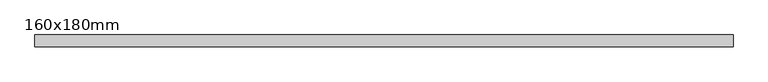
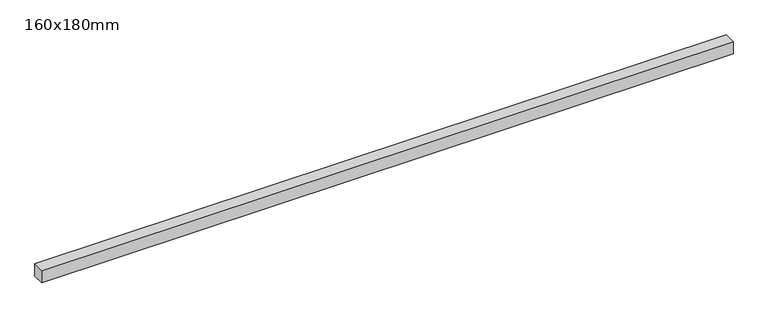
"""IFC4 building model written with IfcOpenShell, lengths in millimetres: beam geometry, 160x180mm."""

import ifcopenshell
import ifcopenshell.guid

model = None  # the IFC model being written
_history = None  # IfcOwnerHistory: only IFC2X3 demands one
_inside = {}  # id of a spatial element -> (the spatial element, [elements in it])
_under = {}  # id of a project, library or spatial element -> (it, [spatial elements below it])
_declared = {}  # id of a project -> (the project, [libraries it declares])
_typed = {}  # id of a type object -> (the type object, [elements of that type])
_made_of = {}  # id of a material, layer set ... -> (it, [elements and type objects made of it])


def new_model(schema):
    """Start an empty IFC model of exactly this schema.

    Asked for "IFC4X3", IfcOpenShell would pick the latest addendum, in which some entities
    have other attributes; the version numbers below select the first issue.
    IFC2X3 requires an IfcOwnerHistory on every rooted entity: one is made here for all.
    """
    global model, _history
    if schema == "IFC4X3":
        model = ifcopenshell.file(schema_version=(4, 3, 0, 0))
    else:
        model = ifcopenshell.file(schema=schema)
    _inside.clear()
    _under.clear()
    _declared.clear()
    _typed.clear()
    _made_of.clear()
    _history = None
    if model.schema == "IFC2X3":
        org = make("IfcOrganization", Name="unknown")
        user = make(
            "IfcPersonAndOrganization",
            ThePerson=make("IfcPerson", FamilyName="unknown"),
            TheOrganization=org,
        )
        app = make(
            "IfcApplication",
            ApplicationDeveloper=org,
            Version="unknown",
            ApplicationFullName="unknown",
            ApplicationIdentifier="unknown",
        )
        _history = make(
            "IfcOwnerHistory",
            OwningUser=user,
            OwningApplication=app,
            ChangeAction="ADDED",
            CreationDate=0,
        )
    return model


def make(cls, **values):
    """One entity of the class cls with the attributes given. An attribute that is None is left unset."""
    return model.create_entity(
        cls, **{name: value for name, value in values.items() if value is not None}
    )


def rooted(cls, **values):
    """An entity with a GlobalId (a new one), such as an element, a storey or a relation."""
    return make(cls, GlobalId=ifcopenshell.guid.new(), OwnerHistory=_history, **values)


def si_unit(unit_type, name, prefix=None):
    """IfcSIUnit, for example si_unit("LENGTHUNIT", "METRE", prefix="MILLI")."""
    return make("IfcSIUnit", UnitType=unit_type, Prefix=prefix, Name=name)


def assignment(units):
    """IfcUnitAssignment: the units of a project."""
    return None if units is None else make("IfcUnitAssignment", Units=units)


def point(xyz):
    """IfcCartesianPoint."""
    return None if xyz is None else make("IfcCartesianPoint", Coordinates=xyz)


def direction(xyz):
    """IfcDirection."""
    return None if xyz is None else make("IfcDirection", DirectionRatios=xyz)


def frame(location, z_axis=None, x_axis=None):
    """IfcAxis2Placement3D, a coordinate frame: its origin and axes. An axis left out is left unset."""
    return make(
        "IfcAxis2Placement3D",
        Location=point(location),
        Axis=direction(z_axis),
        RefDirection=direction(x_axis),
    )


def origin():
    """The frame at (0, 0, 0) with its axes left unset."""
    return frame((0.0, 0.0, 0.0))


def place(relative_to, where):
    """IfcLocalPlacement: puts the frame where relative to a parent placement (None: the world)."""
    return make(
        "IfcLocalPlacement", PlacementRelTo=relative_to, RelativePlacement=where
    )


def context(
    kind, dimensions, precision=None, world=None, true_north=None, identifier=None
):
    """IfcGeometricRepresentationContext, for example the 3D "Model" context."""
    return make(
        "IfcGeometricRepresentationContext",
        ContextIdentifier=identifier,
        ContextType=kind,
        CoordinateSpaceDimension=dimensions,
        Precision=precision,
        WorldCoordinateSystem=world,
        TrueNorth=true_north,
    )


def project(units=None, contexts=None):
    """IfcProject with its units and contexts."""
    return rooted(
        "IfcProject",
        Name="project",
        RepresentationContexts=contexts,
        UnitsInContext=assignment(units),
    )


def spatial(cls, under=None, at=None, **own):
    """A site, building, storey or space (cls), placed at a placement, below another one or the project."""
    s = rooted(cls, ObjectPlacement=at, **own)
    if under is not None:
        _under.setdefault(under.id(), (under, []))[1].append(s)
    return s


def polyline(points):
    """IfcPolyline through the points."""
    return make("IfcPolyline", Points=[point(p) for p in points])


def outline(outer, holes=None, kind="AREA"):
    """IfcArbitraryClosedProfileDef: a profile drawn as a closed curve; with holes, ...WithVoids."""
    if holes is None:
        return make("IfcArbitraryClosedProfileDef", ProfileType=kind, OuterCurve=outer)
    return make(
        "IfcArbitraryProfileDefWithVoids",
        ProfileType=kind,
        OuterCurve=outer,
        InnerCurves=holes,
    )


def extrude(swept, where, along, depth):
    """IfcExtrudedAreaSolid: the profile swept, set in the frame where, extruded along a direction by depth."""
    return make(
        "IfcExtrudedAreaSolid",
        SweptArea=swept,
        Position=where,
        ExtrudedDirection=direction(along),
        Depth=depth,
    )


def shape(context_of_items, identifier, shape_type, items):
    """IfcShapeRepresentation: the items that make up one representation, for example the "Body"."""
    return make(
        "IfcShapeRepresentation",
        ContextOfItems=context_of_items,
        RepresentationIdentifier=identifier,
        RepresentationType=shape_type,
        Items=items,
    )


def source(mapping_origin, context_of_items, identifier, shape_type, items):
    """IfcRepresentationMap: a shape defined once, which mapped items show again and again."""
    return make(
        "IfcRepresentationMap",
        MappingOrigin=mapping_origin,
        MappedRepresentation=shape(context_of_items, identifier, shape_type, items),
    )


def transform(
    local_origin,
    x_axis=None,
    y_axis=None,
    z_axis=None,
    scale=None,
    scale2=None,
    scale3=None,
    uniform=True,
):
    """IfcCartesianTransformationOperator3D, or its non-uniform kind. x_axis, y_axis, z_axis: its Axis1, 2, 3."""
    if uniform:
        return make(
            "IfcCartesianTransformationOperator3D",
            Axis1=direction(x_axis),
            Axis2=direction(y_axis),
            LocalOrigin=point(local_origin),
            Scale=scale,
            Axis3=direction(z_axis),
        )
    return make(
        "IfcCartesianTransformationOperator3DnonUniform",
        Axis1=direction(x_axis),
        Axis2=direction(y_axis),
        LocalOrigin=point(local_origin),
        Scale=scale,
        Axis3=direction(z_axis),
        Scale2=scale2,
        Scale3=scale3,
    )


def mapped(mapping_source, mapping_target):
    """IfcMappedItem: shows the shape of a source again, moved by a transform."""
    return make(
        "IfcMappedItem", MappingSource=mapping_source, MappingTarget=mapping_target
    )


def made_of(thing, what):
    """Note that an element or type object is made of a material, layer set ...; save() writes the relation."""
    if what is not None:
        _made_of.setdefault(what.id(), (what, []))[1].append(thing)
    return thing


def element(
    cls,
    number,
    at=None,
    inside=None,
    cuts=None,
    type_object=None,
    material=None,
    context=None,
    identifier="Body",
    shape_type=None,
    held_by="IfcProductDefinitionShape",
    body=None,
    shapes=None,
    **own,
):
    """One element of the class cls, such as IfcWall. Its Tag is "e" and its number.

    at: its placement. inside: the storey or other place that contains it. cuts: it is an
    opening in that element (IfcRelVoidsElement). A single representation is given by context,
    identifier, shape_type and body (its items); several are given by shapes. held_by: the class
    of the entity that holds the representations. save() writes the other relations.
    """
    e = rooted(cls, Tag="e%d" % number, ObjectPlacement=at, **own)
    if body is not None:
        shapes = [shape(context, identifier, shape_type, body)]
    if shapes is not None:
        e.Representation = make(held_by, Representations=shapes)
    if inside is not None:
        _inside.setdefault(inside.id(), (inside, []))[1].append(e)
    if cuts is not None:
        rooted(
            "IfcRelVoidsElement", RelatingBuildingElement=cuts, RelatedOpeningElement=e
        )
    if type_object is not None:
        _typed.setdefault(type_object.id(), (type_object, []))[1].append(e)
    return made_of(e, material)


def aggregate(whole, parts):
    """IfcRelAggregates: a whole, such as a stair, and the parts it consists of."""
    return rooted("IfcRelAggregates", RelatingObject=whole, RelatedObjects=parts)


def save(model, path):
    """Write the relations noted so far, then the file.

    IfcRelAggregates (storeys below a building ...), IfcRelContainedInSpatialStructure (elements
    in a storey), IfcRelDefinesByType, IfcRelAssociatesMaterial and IfcRelDeclares: one each for
    every whole, place, type object, material and project.
    """
    for whole, parts in _under.values():
        aggregate(whole, parts)
    for where, things in _inside.values():
        rooted(
            "IfcRelContainedInSpatialStructure",
            RelatedElements=things,
            RelatingStructure=where,
        )
    for kind, things in _typed.values():
        rooted("IfcRelDefinesByType", RelatedObjects=things, RelatingType=kind)
    for what, things in _made_of.values():
        rooted("IfcRelAssociatesMaterial", RelatedObjects=things, RelatingMaterial=what)
    for by, libraries in _declared.values():
        rooted("IfcRelDeclares", RelatingContext=by, RelatedDefinitions=libraries)
    model.write(path)


def beam_160x180mm_5ed403cc(model_context):
    return source(origin(), model_context, "Body", "SweptSolid", [
        extrude(outline(polyline([(4750.0, -80.0), (-4750.0, -80.0), (-4750.0, 80.0), (4750.0, 80.0), (4750.0, -80.0)])), frame((0.0, 0.0, -90.0), z_axis=(0.0, 0.0, 1.0), x_axis=(1.0, 0.0, 0.0)), (0.0, 0.0, 1.0), 180.0),
    ])


if __name__ == "__main__":
    model = new_model("IFC4")
    model_context = context("Model", 3, world=origin())
    ifc_project = project(units=[si_unit("LENGTHUNIT", "METRE", prefix="MILLI")], contexts=[model_context])
    site = spatial("IfcSite", under=ifc_project)
    building = spatial("IfcBuilding", under=site)
    placement = place(None, origin())
    beam_160x180mm_shape = beam_160x180mm_5ed403cc(model_context)
    element("IfcBeam", 1, ObjectType="160x180mm", at=placement, inside=building, context=model_context, shape_type="MappedRepresentation", body=[
        mapped(beam_160x180mm_shape, transform((0.0, 0.0, 0.0), x_axis=(1.0, 0.0, 0.0), y_axis=(0.0, 1.0, 0.0), z_axis=(0.0, 0.0, 1.0))),
    ])
    save(model, "model.ifc")
